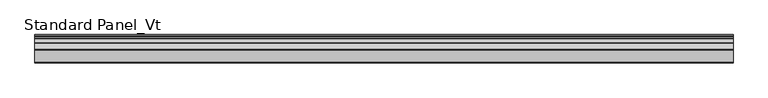
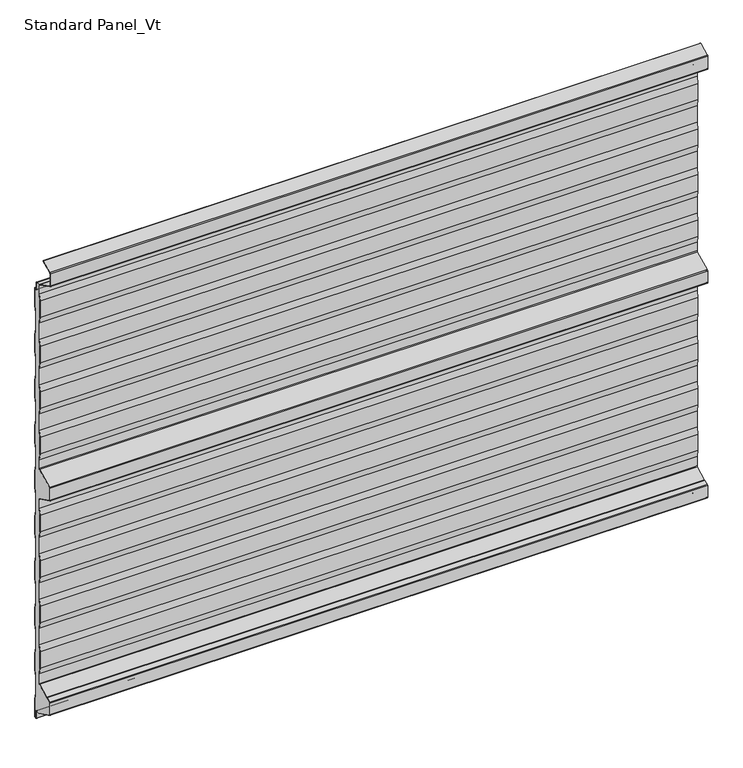
"""IFC4 building model written with IfcOpenShell, lengths in millimetres: proxy geometry, Standard Panel_Vt."""

from ifc_helpers import new_model, si_unit, point, frame, frame_2d, origin, place, context, project, spatial, polyline, circle_curve, trimmed, segment, composite_curve, outline, extrude, source, transform, mapped, element, save
from ifc_brep_helpers import plane_surface, cylinder_surface, revolved_surface, advanced_brep


def standard_panel_vt_2184bb65(model_context):
    return source(origin(), model_context, "Body", "SolidModel", [
        advanced_brep(
        [(-723.9042608, -17.5, 35.1338169), (-723.9042608, -17.5, 57.6094989), (-723.9042608, -20.0, 72.448892), (-723.9042608, -20.0, 110.5241033), (-723.9042608, -17.5, 125.3634964), (-723.9042608, -17.5, 163.6094989), (-723.9042608, -20.0, 178.448892), (-723.9042608, -20.0, 216.5241033), (-723.9042608, -17.5, 231.3634964), (-723.9042608, -17.5, 269.6094989), (-723.9042608, -20.0, 284.448892), (-723.9042608, -20.0, 322.5241033), (-723.9042608, -17.5, 337.3634964), (-723.9042608, -17.5, 375.6094989), (-723.9042608, -20.0, 390.448892), (-723.9042608, -20.0, 428.5241033), (-723.9042608, -17.5, 443.3634964), (-723.9042608, -17.5, 463.5777279), (-723.9042608, -19.215023, 466.3511443), (-723.9042608, -56.7201502, 485.0802964), (-723.9042608, -57.55, 486.4222721), (-723.9042608, -57.55, 513.5777279), (-723.9042608, -56.7201502, 514.9197036), (-723.9042608, -19.215023, 533.6488557), (-723.9042608, -17.5, 536.4222721), (-723.9042608, -17.5, 556.6365036), (-723.9042608, -20.0, 571.4758967), (-723.9042608, -20.0, 609.551108), (-723.9042608, -17.5, 624.3905011), (-723.9042608, -17.5, 662.6365036), (-723.9042608, -20.0, 677.4758967), (-723.9042608, -20.0, 715.551108), (-723.9042608, -17.5, 730.3905011), (-723.9042608, -17.5, 768.6365036), (-723.9042608, -20.0, 783.4758967), (-723.9042608, -20.0, 821.551108), (-723.9042608, -17.5, 836.3905011), (-723.9042608, -17.5, 874.6365036), (-723.9042608, -20.0, 889.4758967), (-723.9042608, -20.0, 927.551108), (-723.9042608, -17.5, 942.3905011), (-723.9042608, -17.5, 962.6040392), (-723.9042608, -17.9622719, 964.2326554), (-723.9042608, -10.2001722, 964.2), (-723.9042608, -10.2001722, 963.3616429), (-723.9042608, -8.2001714, 963.3616429), (-723.9042608, -6.9001721, 962.0616436), (-723.9042608, -6.9001721, 946.4755735), (-723.9042608, -4.1204106, 944.9655843), (-723.9042608, -1.6, 946.6009611), (-723.9042608, -1.6, 905.4928529), (-723.9042608, -4.1, 890.4928529), (-723.9042608, -4.1, 852.3604329), (-723.9042608, -1.6, 837.3604329), (-723.9042608, -1.6, 799.4928529), (-723.9042608, -4.1, 784.4928529), (-723.9042608, -4.1, 746.3604329), (-723.9042608, -1.6, 731.3604329), (-723.9042608, -1.6, 693.4928529), (-723.9042608, -4.1, 678.4928529), (-723.9042608, -4.1, 640.3604329), (-723.9042608, -1.6, 625.3604329), (-723.9042608, -1.6, 587.4928529), (-723.9042608, -4.1, 572.4928529), (-723.9042608, -4.1, 534.3604329), (-723.9042608, -1.6, 519.3604329), (-723.9042608, -1.6, 481.9928529), (-723.9042608, -4.1, 466.9928529), (-723.9042608, -4.1, 428.8604329), (-723.9042608, -1.6, 413.8604329), (-723.9042608, -1.6, 375.4928529), (-723.9042608, -4.1, 360.4928529), (-723.9042608, -4.1, 322.3604329), (-723.9042608, -1.6, 307.3604329), (-723.9042608, -1.6, 269.4928529), (-723.9042608, -4.1, 254.4928529), (-723.9042608, -4.1, 216.3604329), (-723.9042608, -1.6, 201.3604329), (-723.9042608, -1.6, 163.4928529), (-723.9042608, -4.1, 148.4928529), (-723.9042608, -4.1, 110.3604329), (-723.9042608, -1.6, 95.3604329), (-723.9042608, -1.6, 57.4928529), (-723.9042608, -4.1, 42.4928529), (-723.9042608, -4.1, 4.3604329), (-723.9042608, -1.6, -10.6395671), (-723.9042608, -1.6, -51.4917405), (-723.9042608, -4.8001723, -53.568183), (-723.9042608, -4.8001723, -37.2383568), (-723.9042608, -7.0001721, -35.0383571), (-723.9042608, -8.930172, -35.0383571), (-723.9042608, -8.930172, -35.8383571), (-723.9042608, -15.05, -35.8), (-723.9042608, -56.7201502, -14.9197036), (-723.9042608, -57.55, -13.5777279), (-723.9042608, -57.55, 13.5777279), (-723.9042608, -56.7201502, 14.9197036), (-723.9042608, -48.2301555, 19.1594013), (-723.9042608, -46.5702853, 19.3495888), (-723.9042608, -45.8045421, 19.576942), (-723.9042608, -18.7724364, 33.0761209), (723.9042608, -17.5, 35.1338169), (723.9042608, -18.7724364, 33.0761209), (723.9042608, -45.8045421, 19.576942), (723.9042608, -46.5702853, 19.3495888), (723.9042608, -48.2301555, 19.1594013), (723.9042608, -56.7201502, 14.9197036), (723.9042608, -57.55, 13.5777279), (723.9042608, -57.55, -13.5777279), (723.9042608, -56.7201502, -14.9197036), (723.9042608, -15.05, -35.7287673), (723.9042608, -8.930172, -35.8383571), (723.9042608, -8.930172, -35.0383571), (723.9042608, -7.0001721, -35.0383571), (723.9042608, -4.8001723, -37.2383568), (723.9042608, -4.8001723, -53.568183), (723.9042608, -1.6, -51.4917405), (723.9042608, -1.6, -10.6395671), (723.9042608, -4.1, 4.3604329), (723.9042608, -4.1, 42.4928529), (723.9042608, -1.6, 57.4928529), (723.9042608, -1.6, 95.3604329), (723.9042608, -4.1, 110.3604329), (723.9042608, -4.1, 148.4928529), (723.9042608, -1.6, 163.4928529), (723.9042608, -1.6, 201.3604329), (723.9042608, -4.1, 216.3604329), (723.9042608, -4.1, 254.4928529), (723.9042608, -1.6, 269.4928529), (723.9042608, -1.6, 307.3604329), (723.9042608, -4.1, 322.3604329), (723.9042608, -4.1, 360.4928529), (723.9042608, -1.6, 375.4928529), (723.9042608, -1.6, 413.8604329), (723.9042608, -4.1, 428.8604329), (723.9042608, -4.1, 466.9928529), (723.9042608, -1.6, 481.9928529), (723.9042608, -1.6, 519.3604329), (723.9042608, -4.1, 534.3604329), (723.9042608, -4.1, 572.4928529), (723.9042608, -1.6, 587.4928529), (723.9042608, -1.6, 625.3604329), (723.9042608, -4.1, 640.3604329), (723.9042608, -4.1, 678.4928529), (723.9042608, -1.6, 693.4928529), (723.9042608, -1.6, 731.3604329), (723.9042608, -4.1, 746.3604329), (723.9042608, -4.1, 784.4928529), (723.9042608, -1.6, 799.4928529), (723.9042608, -1.6, 837.3604329), (723.9042608, -4.1, 852.3604329), (723.9042608, -4.1, 890.4928529), (723.9042608, -1.6, 905.4928529), (723.9042608, -1.6, 946.6009611), (723.9042608, -4.1204106, 944.9655843), (723.9042608, -6.9001721, 946.4755735), (723.9042608, -6.9001721, 962.0616436), (723.9042608, -8.2001714, 963.3616429), (723.9042608, -10.2001722, 963.3616429), (723.9042608, -10.2001722, 964.2), (723.9042608, -17.9622719, 964.2326554), (723.9042608, -17.5, 962.6040392), (723.9042608, -17.5, 942.3905011), (723.9042608, -20.0, 927.551108), (723.9042608, -20.0, 889.4758967), (723.9042608, -17.5, 874.6365036), (723.9042608, -17.5, 836.3905011), (723.9042608, -20.0, 821.551108), (723.9042608, -20.0, 783.4758967), (723.9042608, -17.5, 768.6365036), (723.9042608, -17.5, 730.3905011), (723.9042608, -20.0, 715.551108), (723.9042608, -20.0, 677.4758967), (723.9042608, -17.5, 662.6365036), (723.9042608, -17.5, 624.3905011), (723.9042608, -20.0, 609.551108), (723.9042608, -20.0, 571.4758967), (723.9042608, -17.5, 556.6365036), (723.9042608, -17.5, 536.4222721), (723.9042608, -19.215023, 533.6488557), (723.9042608, -56.7201502, 514.9197036), (723.9042608, -57.55, 513.5777279), (723.9042608, -57.55, 486.4222721), (723.9042608, -56.7201502, 485.0802964), (723.9042608, -19.215023, 466.3511443), (723.9042608, -17.5, 463.5777279), (723.9042608, -17.5, 443.3634964), (723.9042608, -20.0, 428.5241033), (723.9042608, -20.0, 390.448892), (723.9042608, -17.5, 375.6094989), (723.9042608, -17.5, 337.3634964), (723.9042608, -20.0, 322.5241033), (723.9042608, -20.0, 284.448892), (723.9042608, -17.5, 269.6094989), (723.9042608, -17.5, 231.3634964), (723.9042608, -20.0, 216.5241033), (723.9042608, -20.0, 178.448892), (723.9042608, -17.5, 163.6094989), (723.9042608, -17.5, 125.3634964), (723.9042608, -20.0, 110.5241033), (723.9042608, -20.0, 72.448892), (723.9042608, -17.5, 57.6094989)],
        [
            (0, 1),
            (1, 2),
            (2, 3),
            (3, 4),
            (4, 5),
            (5, 6),
            (6, 7),
            (7, 8),
            (8, 9),
            (9, 10),
            (10, 11),
            (11, 12),
            (12, 13),
            (13, 14),
            (14, 15),
            (15, 16),
            (16, 17),
            (17, 18, circle_curve(frame((-723.9042608, -20.6, 463.5777279), z_axis=(1.0, 0.0, 0.0), x_axis=(0.0, 0.0, -1.0)), 3.1)),
            (18, 19),
            (19, 20, circle_curve(frame((-723.9042608, -56.05, 486.4222721), z_axis=(-1.0, 0.0, 0.0), x_axis=(0.0, 0.0, -1.0)), 1.5)),
            (20, 21),
            (21, 22, circle_curve(frame((-723.9042608, -56.05, 513.5777279), z_axis=(-1.0, 0.0, 0.0), x_axis=(0.0, 0.0, -1.0)), 1.5)),
            (22, 23),
            (23, 24, circle_curve(frame((-723.9042608, -20.6, 536.4222721), z_axis=(1.0, 0.0, 0.0), x_axis=(0.0, 0.0, -1.0)), 3.1)),
            (24, 25),
            (25, 26),
            (26, 27),
            (27, 28),
            (28, 29),
            (29, 30),
            (30, 31),
            (31, 32),
            (32, 33),
            (33, 34),
            (34, 35),
            (35, 36),
            (36, 37),
            (37, 38),
            (38, 39),
            (39, 40),
            (40, 41),
            (41, 42, circle_curve(frame((-723.9042608, -20.6, 962.6040392), z_axis=(1.0, 0.0, 0.0), x_axis=(0.0, 0.0, -1.0)), 3.1)),
            (42, 43),
            (43, 44),
            (44, 45),
            (45, 46, circle_curve(frame((-723.9042608, -8.2001714, 962.0616436), z_axis=(-1.0, 0.0, 0.0), x_axis=(0.0, 0.0, -1.0)), 1.2999993)),
            (46, 47),
            (47, 48, circle_curve(frame((-723.9042608, -5.1001721, 946.4755735), z_axis=(1.0, 0.0, 0.0), x_axis=(0.0, 0.0, -1.0)), 1.8)),
            (48, 49),
            (49, 50),
            (50, 51),
            (51, 52),
            (52, 53),
            (53, 54),
            (54, 55),
            (55, 56),
            (56, 57),
            (57, 58),
            (58, 59),
            (59, 60),
            (60, 61),
            (61, 62),
            (62, 63),
            (63, 64),
            (64, 65),
            (65, 66),
            (66, 67),
            (67, 68),
            (68, 69),
            (69, 70),
            (70, 71),
            (71, 72),
            (72, 73),
            (73, 74),
            (74, 75),
            (75, 76),
            (76, 77),
            (77, 78),
            (78, 79),
            (79, 80),
            (80, 81),
            (81, 82),
            (82, 83),
            (83, 84),
            (84, 85),
            (85, 86),
            (86, 87),
            (87, 88),
            (88, 89, circle_curve(frame((-723.9042608, -7.0001721, -37.2383568), z_axis=(1.0, 0.0, 0.0), x_axis=(0.0, 0.0, -1.0)), 2.1999997)),
            (89, 90),
            (90, 91),
            (91, 92),
            (92, 93),
            (93, 94, circle_curve(frame((-723.9042608, -56.05, -13.5777279), z_axis=(-1.0, 0.0, 0.0), x_axis=(0.0, 0.0, -1.0)), 1.5)),
            (94, 95),
            (95, 96, circle_curve(frame((-723.9042608, -56.05, 13.5777279), z_axis=(-1.0, 0.0, 0.0), x_axis=(0.0, 0.0, -1.0)), 1.5)),
            (96, 97),
            (97, 98),
            (98, 99, circle_curve(frame((-723.9042608, -46.8321057, 21.6346381), z_axis=(1.0, 0.0, 0.0), x_axis=(0.0, 0.0, -1.0)), 2.3)),
            (99, 100),
            (100, 0, circle_curve(frame((-723.9042608, -19.8, 35.1338169), z_axis=(1.0, 0.0, 0.0), x_axis=(0.0, 0.0, -1.0)), 2.3)),
            (101, 102, circle_curve(frame((723.9042608, -19.8, 35.1338169), z_axis=(-1.0, 0.0, 0.0), x_axis=(0.0, 0.0, -1.0)), 2.3)),
            (102, 103),
            (103, 104, circle_curve(frame((723.9042608, -46.8321057, 21.6346381), z_axis=(-1.0, 0.0, 0.0), x_axis=(0.0, 0.0, -1.0)), 2.3)),
            (104, 105),
            (105, 106),
            (106, 107, circle_curve(frame((723.9042608, -56.05, 13.5777279), z_axis=(1.0, 0.0, 0.0), x_axis=(0.0, 0.0, -1.0)), 1.5)),
            (107, 108),
            (108, 109, circle_curve(frame((723.9042608, -56.05, -13.5777279), z_axis=(1.0, 0.0, 0.0), x_axis=(0.0, 0.0, -1.0)), 1.5)),
            (109, 110),
            (110, 111),
            (111, 112),
            (112, 113),
            (113, 114, circle_curve(frame((723.9042608, -7.0001721, -37.2383568), z_axis=(-1.0, 0.0, 0.0), x_axis=(0.0, 0.0, -1.0)), 2.1999997)),
            (114, 115),
            (115, 116),
            (116, 117),
            (117, 118),
            (118, 119),
            (119, 120),
            (120, 121),
            (121, 122),
            (122, 123),
            (123, 124),
            (124, 125),
            (125, 126),
            (126, 127),
            (127, 128),
            (128, 129),
            (129, 130),
            (130, 131),
            (131, 132),
            (132, 133),
            (133, 134),
            (134, 135),
            (135, 136),
            (136, 137),
            (137, 138),
            (138, 139),
            (139, 140),
            (140, 141),
            (141, 142),
            (142, 143),
            (143, 144),
            (144, 145),
            (145, 146),
            (146, 147),
            (147, 148),
            (148, 149),
            (149, 150),
            (150, 151),
            (151, 152),
            (152, 153),
            (153, 154),
            (154, 155, circle_curve(frame((723.9042608, -5.1001721, 946.4755735), z_axis=(-1.0, 0.0, 0.0), x_axis=(0.0, 0.0, -1.0)), 1.8)),
            (155, 156),
            (156, 157, circle_curve(frame((723.9042608, -8.2001714, 962.0616436), z_axis=(1.0, 0.0, 0.0), x_axis=(0.0, 0.0, -1.0)), 1.2999993)),
            (157, 158),
            (158, 159),
            (159, 160),
            (160, 161, circle_curve(frame((723.9042608, -20.6, 962.6040392), z_axis=(-1.0, 0.0, 0.0), x_axis=(0.0, 0.0, -1.0)), 3.1)),
            (161, 162),
            (162, 163),
            (163, 164),
            (164, 165),
            (165, 166),
            (166, 167),
            (167, 168),
            (168, 169),
            (169, 170),
            (170, 171),
            (171, 172),
            (172, 173),
            (173, 174),
            (174, 175),
            (175, 176),
            (176, 177),
            (177, 178),
            (178, 179, circle_curve(frame((723.9042608, -20.6, 536.4222721), z_axis=(-1.0, 0.0, 0.0), x_axis=(0.0, 0.0, -1.0)), 3.1)),
            (179, 180),
            (180, 181, circle_curve(frame((723.9042608, -56.05, 513.5777279), z_axis=(1.0, 0.0, 0.0), x_axis=(0.0, 0.0, -1.0)), 1.5)),
            (181, 182),
            (182, 183, circle_curve(frame((723.9042608, -56.05, 486.4222721), z_axis=(1.0, 0.0, 0.0), x_axis=(0.0, 0.0, -1.0)), 1.5)),
            (183, 184),
            (184, 185, circle_curve(frame((723.9042608, -20.6, 463.5777279), z_axis=(-1.0, 0.0, 0.0), x_axis=(0.0, 0.0, -1.0)), 3.1)),
            (185, 186),
            (186, 187),
            (187, 188),
            (188, 189),
            (189, 190),
            (190, 191),
            (191, 192),
            (192, 193),
            (193, 194),
            (194, 195),
            (195, 196),
            (196, 197),
            (197, 198),
            (198, 199),
            (199, 200),
            (200, 201),
            (201, 101),
            (100, 102),
            (101, 0),
            (99, 103),
            (98, 104),
            (97, 105),
            (96, 106),
            (95, 107),
            (94, 108),
            (93, 109),
            (92, 110),
            (159, 43),
            (42, 160),
            (41, 161),
            (40, 162),
            (39, 163),
            (38, 164),
            (37, 165),
            (36, 166),
            (35, 167),
            (34, 168),
            (33, 169),
            (32, 170),
            (31, 171),
            (30, 172),
            (29, 173),
            (28, 174),
            (27, 175),
            (26, 176),
            (25, 177),
            (24, 178),
            (23, 179),
            (22, 180),
            (21, 181),
            (20, 182),
            (19, 183),
            (18, 184),
            (17, 185),
            (16, 186),
            (15, 187),
            (14, 188),
            (13, 189),
            (12, 190),
            (11, 191),
            (10, 192),
            (9, 193),
            (8, 194),
            (7, 195),
            (6, 196),
            (5, 197),
            (4, 198),
            (3, 199),
            (2, 200),
            (1, 201),
            (158, 44),
            (88, 114),
            (113, 89),
            (87, 115),
            (86, 116),
            (85, 117),
            (84, 118),
            (83, 119),
            (82, 120),
            (81, 121),
            (80, 122),
            (79, 123),
            (78, 124),
            (77, 125),
            (76, 126),
            (75, 127),
            (74, 128),
            (73, 129),
            (72, 130),
            (71, 131),
            (70, 132),
            (69, 133),
            (68, 134),
            (67, 135),
            (66, 136),
            (65, 137),
            (64, 138),
            (63, 139),
            (62, 140),
            (61, 141),
            (60, 142),
            (59, 143),
            (58, 144),
            (57, 145),
            (56, 146),
            (55, 147),
            (54, 148),
            (53, 149),
            (52, 150),
            (51, 151),
            (50, 152),
            (49, 153),
            (48, 154),
            (47, 155),
            (46, 156),
            (45, 157),
            (90, 112),
            (111, 91),
        ],
        [
            plane_surface(frame((-723.9042608, -20.0, 500.0), z_axis=(-1.0, 0.0, 0.0), x_axis=(0.0, 1.0, 0.0))),
            plane_surface(frame((723.9042608, -20.0, 500.0), z_axis=(1.0, 0.0, 0.0), x_axis=(0.0, 1.0, 0.0))),
            revolved_surface(polyline([(723.9042608, -19.8, 32.8338169), (-723.9042608, -19.8, 32.8338169)]), (-723.9042608, -19.8, 35.1338169), (1.0, 0.0, 0.0)),
            plane_surface(frame((-723.9042608, -18.7724364, 33.0761209), z_axis=(0.0, -0.4467667729379058, 0.89465046280581), x_axis=(1.0, 0.0, 0.0))),
            revolved_surface(polyline([(723.9042608, -46.8321057, 19.3346381), (-723.9042608, -46.8321057, 19.3346381)]), (-723.9042608, -46.8321057, 21.6346381), (1.0, 0.0, 0.0)),
            plane_surface(frame((-723.9042608, -46.5702853, 19.3495888), z_axis=(0.0, -0.11383496024224143, 0.9934996737929246), x_axis=(1.0, 0.0, 0.0))),
            plane_surface(frame((-723.9042608, -48.2301555, 19.1594013), z_axis=(0.0, -0.44676677293837763, 0.8946504628055743), x_axis=(1.0, 0.0, 0.0))),
            cylinder_surface(frame((-723.9042608, -56.05, 13.5777279), z_axis=(-1.0, 0.0, 0.0), x_axis=(0.0, 0.0, -1.0)), 1.5),
            plane_surface(frame((-723.9042608, -57.55, 13.5777279), z_axis=(0.0, -1.0, 0.0), x_axis=(1.0, 0.0, 0.0))),
            cylinder_surface(frame((-723.9042608, -56.05, -13.5777279), z_axis=(-1.0, 0.0, 0.0), x_axis=(0.0, 0.0, -1.0)), 1.5),
            plane_surface(frame((-723.9042608, -56.7201502, -14.9197036), z_axis=(0.0, -0.4467667729366023, -0.8946504628064608), x_axis=(1.0, 0.0, 0.0))),
            plane_surface(frame((-723.9042608, -15.05, 964.2326554), z_axis=(0.0, 0.0, 1.0), x_axis=(1.0, 0.0, 0.0))),
            revolved_surface(polyline([(723.9042608, -20.6, 959.5040392), (-723.9042608, -20.6, 959.5040392)]), (-723.9042608, -20.6, 962.6040392), (1.0, 0.0, 0.0)),
            plane_surface(frame((-723.9042608, -17.5, 962.6040392), z_axis=(0.0, -1.0, 0.0), x_axis=(1.0, 0.0, 0.0))),
            plane_surface(frame((-723.9042608, -17.5, 942.3905011), z_axis=(0.0, -0.9861039564577478, 0.16612942863435207), x_axis=(1.0, 0.0, 0.0))),
            plane_surface(frame((-723.9042608, -20.0, 927.551108), z_axis=(0.0, -1.0, 0.0), x_axis=(1.0, 0.0, 0.0))),
            plane_surface(frame((-723.9042608, -20.0, 889.4758967), z_axis=(0.0, -0.986103956457715, -0.16612942863454708), x_axis=(1.0, 0.0, 0.0))),
            plane_surface(frame((-723.9042608, -17.5, 874.6365036), z_axis=(0.0, -1.0, 0.0), x_axis=(1.0, 0.0, 0.0))),
            plane_surface(frame((-723.9042608, -17.5, 836.3905011), z_axis=(0.0, -0.9861039564577201, 0.1661294286345171), x_axis=(1.0, 0.0, 0.0))),
            plane_surface(frame((-723.9042608, -20.0, 821.551108), z_axis=(0.0, -1.0, 0.0), x_axis=(1.0, 0.0, 0.0))),
            plane_surface(frame((-723.9042608, -20.0, 783.4758967), z_axis=(0.0, -0.986103956457715, -0.16612942863454708), x_axis=(1.0, 0.0, 0.0))),
            plane_surface(frame((-723.9042608, -17.5, 768.6365036), z_axis=(0.0, -1.0, 0.0), x_axis=(1.0, 0.0, 0.0))),
            plane_surface(frame((-723.9042608, -17.5, 730.3905011), z_axis=(0.0, -0.9861039564577478, 0.16612942863435207), x_axis=(1.0, 0.0, 0.0))),
            plane_surface(frame((-723.9042608, -20.0, 715.551108), z_axis=(0.0, -1.0, 0.0), x_axis=(1.0, 0.0, 0.0))),
            plane_surface(frame((-723.9042608, -20.0, 677.4758967), z_axis=(0.0, -0.9861039564576832, -0.16612942863473568), x_axis=(1.0, 0.0, 0.0))),
            plane_surface(frame((-723.9042608, -17.5, 662.6365036), z_axis=(0.0, -1.0, 0.0), x_axis=(1.0, 0.0, 0.0))),
            plane_surface(frame((-723.9042608, -17.5, 624.3905011), z_axis=(0.0, -0.9861039564577201, 0.1661294286345171), x_axis=(1.0, 0.0, 0.0))),
            plane_surface(frame((-723.9042608, -20.0, 609.551108), z_axis=(0.0, -1.0, 0.0), x_axis=(1.0, 0.0, 0.0))),
            plane_surface(frame((-723.9042608, -20.0, 571.4758967), z_axis=(0.0, -0.9861039564577467, -0.16612942863435845), x_axis=(1.0, 0.0, 0.0))),
            plane_surface(frame((-723.9042608, -17.5, 556.6365036), z_axis=(0.0, -1.0, 0.0), x_axis=(1.0, 0.0, 0.0))),
            revolved_surface(polyline([(723.9042608, -20.6, 533.3222721), (-723.9042608, -20.6, 533.3222721)]), (-723.9042608, -20.6, 536.4222721), (1.0, 0.0, 0.0)),
            plane_surface(frame((-723.9042608, -19.215023, 533.6488557), z_axis=(0.0, -0.4467667729373698, 0.8946504628060775), x_axis=(1.0, 0.0, 0.0))),
            cylinder_surface(frame((-723.9042608, -56.05, 513.5777279), z_axis=(-1.0, 0.0, 0.0), x_axis=(0.0, 0.0, -1.0)), 1.5),
            plane_surface(frame((-723.9042608, -57.55, 513.5777279), z_axis=(0.0, -1.0, 0.0), x_axis=(1.0, 0.0, 0.0))),
            cylinder_surface(frame((-723.9042608, -56.05, 486.4222721), z_axis=(-1.0, 0.0, 0.0), x_axis=(0.0, 0.0, -1.0)), 1.5),
            plane_surface(frame((-723.9042608, -56.7201502, 485.0802964), z_axis=(0.0, -0.4467667729375501, -0.8946504628059875), x_axis=(1.0, 0.0, 0.0))),
            revolved_surface(polyline([(723.9042608, -20.6, 460.4777279), (-723.9042608, -20.6, 460.4777279)]), (-723.9042608, -20.6, 463.5777279), (1.0, 0.0, 0.0)),
            plane_surface(frame((-723.9042608, -17.5, 463.5777279), z_axis=(0.0, -1.0, 0.0), x_axis=(1.0, 0.0, 0.0))),
            plane_surface(frame((-723.9042608, -17.5, 443.3634964), z_axis=(0.0, -0.9861039564577047, 0.16612942863460836), x_axis=(1.0, 0.0, 0.0))),
            plane_surface(frame((-723.9042608, -20.0, 428.5241033), z_axis=(0.0, -1.0, 0.0), x_axis=(1.0, 0.0, 0.0))),
            plane_surface(frame((-723.9042608, -20.0, 390.448892), z_axis=(0.0, -0.9861039564576678, -0.16612942863482694), x_axis=(1.0, 0.0, 0.0))),
            plane_surface(frame((-723.9042608, -17.5, 375.6094989), z_axis=(0.0, -1.0, 0.0), x_axis=(1.0, 0.0, 0.0))),
            plane_surface(frame((-723.9042608, -17.5, 337.3634964), z_axis=(0.0, -0.9861039564577121, 0.16612942863456426), x_axis=(1.0, 0.0, 0.0))),
            plane_surface(frame((-723.9042608, -20.0, 322.5241033), z_axis=(0.0, -1.0, 0.0), x_axis=(1.0, 0.0, 0.0))),
            plane_surface(frame((-723.9042608, -20.0, 284.448892), z_axis=(0.0, -0.9861039564577467, -0.16612942863435845), x_axis=(1.0, 0.0, 0.0))),
            plane_surface(frame((-723.9042608, -17.5, 269.6094989), z_axis=(0.0, -1.0, 0.0), x_axis=(1.0, 0.0, 0.0))),
            plane_surface(frame((-723.9042608, -17.5, 231.3634964), z_axis=(0.0, -0.9861039564577161, 0.1661294286345407), x_axis=(1.0, 0.0, 0.0))),
            plane_surface(frame((-723.9042608, -20.0, 216.5241033), z_axis=(0.0, -1.0, 0.0), x_axis=(1.0, 0.0, 0.0))),
            plane_surface(frame((-723.9042608, -20.0, 178.448892), z_axis=(0.0, -0.986103956457715, -0.16612942863454708), x_axis=(1.0, 0.0, 0.0))),
            plane_surface(frame((-723.9042608, -17.5, 163.6094989), z_axis=(0.0, -1.0, 0.0), x_axis=(1.0, 0.0, 0.0))),
            plane_surface(frame((-723.9042608, -17.5, 125.3634964), z_axis=(0.0, -0.9861039564577161, 0.1661294286345407), x_axis=(1.0, 0.0, 0.0))),
            plane_surface(frame((-723.9042608, -20.0, 110.5241033), z_axis=(0.0, -1.0, 0.0), x_axis=(1.0, 0.0, 0.0))),
            plane_surface(frame((-723.9042608, -20.0, 72.448892), z_axis=(0.0, -0.9861039564576832, -0.16612942863473568), x_axis=(1.0, 0.0, 0.0))),
            plane_surface(frame((-723.9042608, -17.5, 57.6094989), z_axis=(0.0, -1.0, 0.0), x_axis=(1.0, 0.0, 0.0))),
            plane_surface(frame((723.9042608, -10.2001722, 964.2), z_axis=(0.0, 1.0, 0.0), x_axis=(-1.0, 0.0, 0.0))),
            revolved_surface(polyline([(723.9042608, -7.0001721, -39.4383565), (-723.9042608, -7.0001721, -39.4383565)]), (-723.9042608, -7.0001721, -37.2383568), (1.0, 0.0, 0.0)),
            plane_surface(frame((-723.9042608, -4.8001723, -37.2383568), z_axis=(0.0, -1.0, 0.0), x_axis=(1.0, 0.0, 0.0))),
            plane_surface(frame((-723.9042608, -4.8001723, -53.568183), z_axis=(0.0, 0.5443119480328179, -0.8388828900560071), x_axis=(1.0, 0.0, 0.0))),
            plane_surface(frame((-723.9042608, -1.6, -51.4917405), z_axis=(0.0, 1.0, 0.0), x_axis=(1.0, 0.0, 0.0))),
            plane_surface(frame((-723.9042608, -1.6, -10.6395671), z_axis=(0.0, 0.9863939238321534, 0.16439898730529956), x_axis=(1.0, 0.0, 0.0))),
            plane_surface(frame((-723.9042608, -4.1, 4.3604329), z_axis=(0.0, 1.0, 0.0), x_axis=(1.0, 0.0, 0.0))),
            plane_surface(frame((-723.9042608, -4.1, 42.4928529), z_axis=(0.0, 0.9863939238321456, -0.1643989873053465), x_axis=(1.0, 0.0, 0.0))),
            plane_surface(frame((-723.9042608, -1.6, 57.4928529), z_axis=(0.0, 1.0, 0.0), x_axis=(1.0, 0.0, 0.0))),
            plane_surface(frame((-723.9042608, -1.6, 95.3604329), z_axis=(0.0, 0.9863939238321452, 0.16439898730534863), x_axis=(1.0, 0.0, 0.0))),
            plane_surface(frame((-723.9042608, -4.1, 110.3604329), z_axis=(0.0, 1.0, 0.0), x_axis=(1.0, 0.0, 0.0))),
            plane_surface(frame((-723.9042608, -4.1, 148.4928529), z_axis=(0.0, 0.9863939238321413, -0.16439898730537209), x_axis=(1.0, 0.0, 0.0))),
            plane_surface(frame((-723.9042608, -1.6, 163.4928529), z_axis=(0.0, 1.0, 0.0), x_axis=(1.0, 0.0, 0.0))),
            plane_surface(frame((-723.9042608, -1.6, 201.3604329), z_axis=(0.0, 0.9863939238321713, 0.164398987305192), x_axis=(1.0, 0.0, 0.0))),
            plane_surface(frame((-723.9042608, -4.1, 216.3604329), z_axis=(0.0, 1.0, 0.0), x_axis=(1.0, 0.0, 0.0))),
            plane_surface(frame((-723.9042608, -4.1, 254.4928529), z_axis=(0.0, 0.9863939238321595, -0.16439898730526276), x_axis=(1.0, 0.0, 0.0))),
            plane_surface(frame((-723.9042608, -1.6, 269.4928529), z_axis=(0.0, 1.0, 0.0), x_axis=(1.0, 0.0, 0.0))),
            plane_surface(frame((-723.9042608, -1.6, 307.3604329), z_axis=(0.0, 0.9863939238321285, 0.16439898730544858), x_axis=(1.0, 0.0, 0.0))),
            plane_surface(frame((-723.9042608, -4.1, 322.3604329), z_axis=(0.0, 1.0, 0.0), x_axis=(1.0, 0.0, 0.0))),
            plane_surface(frame((-723.9042608, -4.1, 360.4928529), z_axis=(0.0, 0.986393923832452, -0.16439898730350827), x_axis=(1.0, 0.0, 0.0))),
            plane_surface(frame((-723.9042608, -1.6, 375.4928529), z_axis=(0.0, 1.0, 0.0), x_axis=(1.0, 0.0, 0.0))),
            plane_surface(frame((-723.9042608, -1.6, 413.8604329), z_axis=(0.0, 0.986393923832151, 0.16439898730531435), x_axis=(1.0, 0.0, 0.0))),
            plane_surface(frame((-723.9042608, -4.1, 428.8604329), z_axis=(0.0, 1.0, 0.0), x_axis=(1.0, 0.0, 0.0))),
            plane_surface(frame((-723.9042608, -4.1, 466.9928529), z_axis=(0.0, 0.9863939238329182, -0.1643989873007107), x_axis=(1.0, 0.0, 0.0))),
            plane_surface(frame((-723.9042608, -1.6, 481.9928529), z_axis=(0.0, 1.0, 0.0), x_axis=(1.0, 0.0, 0.0))),
            plane_surface(frame((-723.9042608, -1.6, 519.3604329), z_axis=(0.0, 0.986393923832576, 0.1643989873027638), x_axis=(1.0, 0.0, 0.0))),
            plane_surface(frame((-723.9042608, -4.1, 534.3604329), z_axis=(0.0, 1.0, 0.0), x_axis=(1.0, 0.0, 0.0))),
            plane_surface(frame((-723.9042608, -4.1, 572.4928529), z_axis=(0.0, 0.9863939238321462, -0.1643989873053435), x_axis=(1.0, 0.0, 0.0))),
            plane_surface(frame((-723.9042608, -1.6, 587.4928529), z_axis=(0.0, 1.0, 0.0), x_axis=(1.0, 0.0, 0.0))),
            plane_surface(frame((-723.9042608, -1.6, 625.3604329), z_axis=(0.0, 0.9863939238321415, 0.16439898730537109), x_axis=(1.0, 0.0, 0.0))),
            plane_surface(frame((-723.9042608, -4.1, 640.3604329), z_axis=(0.0, 1.0, 0.0), x_axis=(1.0, 0.0, 0.0))),
            plane_surface(frame((-723.9042608, -4.1, 678.4928529), z_axis=(0.0, 0.9863939238321462, -0.1643989873053435), x_axis=(1.0, 0.0, 0.0))),
            plane_surface(frame((-723.9042608, -1.6, 693.4928529), z_axis=(0.0, 1.0, 0.0), x_axis=(1.0, 0.0, 0.0))),
            plane_surface(frame((-723.9042608, -1.6, 731.3604329), z_axis=(0.0, 0.9863939238321723, 0.16439898730518634), x_axis=(1.0, 0.0, 0.0))),
            plane_surface(frame((-723.9042608, -4.1, 746.3604329), z_axis=(0.0, 1.0, 0.0), x_axis=(1.0, 0.0, 0.0))),
            plane_surface(frame((-723.9042608, -4.1, 784.4928529), z_axis=(0.0, 0.9863939238321462, -0.1643989873053435), x_axis=(1.0, 0.0, 0.0))),
            plane_surface(frame((-723.9042608, -1.6, 799.4928529), z_axis=(0.0, 1.0, 0.0), x_axis=(1.0, 0.0, 0.0))),
            plane_surface(frame((-723.9042608, -1.6, 837.3604329), z_axis=(0.0, 0.9863939238321415, 0.16439898730537109), x_axis=(1.0, 0.0, 0.0))),
            plane_surface(frame((-723.9042608, -4.1, 852.3604329), z_axis=(0.0, 1.0, 0.0), x_axis=(1.0, 0.0, 0.0))),
            plane_surface(frame((-723.9042608, -4.1, 890.4928529), z_axis=(0.0, 0.9863939238321769, -0.16439898730515876), x_axis=(1.0, 0.0, 0.0))),
            plane_surface(frame((-723.9042608, -1.6, 905.4928529), z_axis=(0.0, 1.0, 0.0), x_axis=(1.0, 0.0, 0.0))),
            plane_surface(frame((-723.9042608, -1.6, 946.6009611), z_axis=(0.0, -0.5443119480359504, 0.8388828900539747), x_axis=(1.0, 0.0, 0.0))),
            revolved_surface(polyline([(723.9042608, -5.1001721, 944.6755735), (-723.9042608, -5.1001721, 944.6755735)]), (-723.9042608, -5.1001721, 946.4755735), (1.0, 0.0, 0.0)),
            plane_surface(frame((-723.9042608, -6.9001721, 946.4755735), z_axis=(0.0, 1.0, 0.0), x_axis=(1.0, 0.0, 0.0))),
            cylinder_surface(frame((-723.9042608, -8.2001714, 962.0616436), z_axis=(-1.0, 0.0, 0.0), x_axis=(0.0, 0.0, -1.0)), 1.2999993),
            plane_surface(frame((-723.9042608, -8.2001714, 963.3616429), z_axis=(0.0, 0.0, 1.0), x_axis=(1.0, 0.0, 0.0))),
            plane_surface(frame((-723.9042608, -8.930172, -35.8383571), z_axis=(0.0, 1.0, 0.0), x_axis=(1.0, 0.0, 0.0))),
            plane_surface(frame((-723.9042608, -8.930172, -35.0383571), z_axis=(0.0, 0.0, -1.0), x_axis=(1.0, 0.0, 0.0))),
            plane_surface(frame((723.9042608, -10.2001722, -35.8), z_axis=(0.0, 0.0, -1.0), x_axis=(-1.0, 0.0, 0.0))),
        ],
        [
            (0, [[1, 2, 3, 4, 5, 6, 7, 8, 9, 10, 11, 12, 13, 14, 15, 16, 17, 18, 19, 20, 21, 22, 23, 24, 25, 26, 27, 28, 29, 30, 31, 32, 33, 34, 35, 36, 37, 38, 39, 40, 41, 42, 43, 44, 45, 46, 47, 48, 49, 50, 51, 52, 53, 54, 55, 56, 57, 58, 59, 60, 61, 62, 63, 64, 65, 66, 67, 68, 69, 70, 71, 72, 73, 74, 75, 76, 77, 78, 79, 80, 81, 82, 83, 84, 85, 86, 87, 88, 89, 90, 91, 92, 93, 94, 95, 96, 97, 98, 99, 100, 101]]),
            (1, [[102, 103, 104, 105, 106, 107, 108, 109, 110, 111, 112, 113, 114, 115, 116, 117, 118, 119, 120, 121, 122, 123, 124, 125, 126, 127, 128, 129, 130, 131, 132, 133, 134, 135, 136, 137, 138, 139, 140, 141, 142, 143, 144, 145, 146, 147, 148, 149, 150, 151, 152, 153, 154, 155, 156, 157, 158, 159, 160, 161, 162, 163, 164, 165, 166, 167, 168, 169, 170, 171, 172, 173, 174, 175, 176, 177, 178, 179, 180, 181, 182, 183, 184, 185, 186, 187, 188, 189, 190, 191, 192, 193, 194, 195, 196, 197, 198, 199, 200, 201, 202]]),
            (2, [[203, -102, 204, -101]]),
            (3, [[205, -103, -203, -100]]),
            (4, [[206, -104, -205, -99]]),
            (5, [[207, -105, -206, -98]]),
            (6, [[208, -106, -207, -97]]),
            (7, [[209, -107, -208, -96]]),
            (8, [[210, -108, -209, -95]]),
            (9, [[211, -109, -210, -94]]),
            (10, [[212, -110, -211, -93]]),
            (11, [[-160, 213, -43, 214]]),
            (12, [[215, -161, -214, -42]]),
            (13, [[216, -162, -215, -41]]),
            (14, [[217, -163, -216, -40]]),
            (15, [[218, -164, -217, -39]]),
            (16, [[219, -165, -218, -38]]),
            (17, [[220, -166, -219, -37]]),
            (18, [[221, -167, -220, -36]]),
            (19, [[222, -168, -221, -35]]),
            (20, [[223, -169, -222, -34]]),
            (21, [[224, -170, -223, -33]]),
            (22, [[225, -171, -224, -32]]),
            (23, [[226, -172, -225, -31]]),
            (24, [[227, -173, -226, -30]]),
            (25, [[228, -174, -227, -29]]),
            (26, [[229, -175, -228, -28]]),
            (27, [[230, -176, -229, -27]]),
            (28, [[231, -177, -230, -26]]),
            (29, [[232, -178, -231, -25]]),
            (30, [[233, -179, -232, -24]]),
            (31, [[234, -180, -233, -23]]),
            (32, [[235, -181, -234, -22]]),
            (33, [[236, -182, -235, -21]]),
            (34, [[237, -183, -236, -20]]),
            (35, [[238, -184, -237, -19]]),
            (36, [[239, -185, -238, -18]]),
            (37, [[240, -186, -239, -17]]),
            (38, [[241, -187, -240, -16]]),
            (39, [[242, -188, -241, -15]]),
            (40, [[243, -189, -242, -14]]),
            (41, [[244, -190, -243, -13]]),
            (42, [[245, -191, -244, -12]]),
            (43, [[246, -192, -245, -11]]),
            (44, [[247, -193, -246, -10]]),
            (45, [[248, -194, -247, -9]]),
            (46, [[249, -195, -248, -8]]),
            (47, [[250, -196, -249, -7]]),
            (48, [[251, -197, -250, -6]]),
            (49, [[252, -198, -251, -5]]),
            (50, [[253, -199, -252, -4]]),
            (51, [[254, -200, -253, -3]]),
            (52, [[255, -201, -254, -2]]),
            (53, [[-204, -202, -255, -1]]),
            (54, [[-159, 256, -44, -213]]),
            (55, [[257, -114, 258, -89]]),
            (56, [[259, -115, -257, -88]]),
            (57, [[260, -116, -259, -87]]),
            (58, [[261, -117, -260, -86]]),
            (59, [[262, -118, -261, -85]]),
            (60, [[263, -119, -262, -84]]),
            (61, [[264, -120, -263, -83]]),
            (62, [[265, -121, -264, -82]]),
            (63, [[266, -122, -265, -81]]),
            (64, [[267, -123, -266, -80]]),
            (65, [[268, -124, -267, -79]]),
            (66, [[269, -125, -268, -78]]),
            (67, [[270, -126, -269, -77]]),
            (68, [[271, -127, -270, -76]]),
            (69, [[272, -128, -271, -75]]),
            (70, [[273, -129, -272, -74]]),
            (71, [[274, -130, -273, -73]]),
            (72, [[275, -131, -274, -72]]),
            (73, [[276, -132, -275, -71]]),
            (74, [[277, -133, -276, -70]]),
            (75, [[278, -134, -277, -69]]),
            (76, [[279, -135, -278, -68]]),
            (77, [[280, -136, -279, -67]]),
            (78, [[281, -137, -280, -66]]),
            (79, [[282, -138, -281, -65]]),
            (80, [[283, -139, -282, -64]]),
            (81, [[284, -140, -283, -63]]),
            (82, [[285, -141, -284, -62]]),
            (83, [[286, -142, -285, -61]]),
            (84, [[287, -143, -286, -60]]),
            (85, [[288, -144, -287, -59]]),
            (86, [[289, -145, -288, -58]]),
            (87, [[290, -146, -289, -57]]),
            (88, [[291, -147, -290, -56]]),
            (89, [[292, -148, -291, -55]]),
            (90, [[293, -149, -292, -54]]),
            (91, [[294, -150, -293, -53]]),
            (92, [[295, -151, -294, -52]]),
            (93, [[296, -152, -295, -51]]),
            (94, [[297, -153, -296, -50]]),
            (95, [[298, -154, -297, -49]]),
            (96, [[299, -155, -298, -48]]),
            (97, [[300, -156, -299, -47]]),
            (98, [[301, -157, -300, -46]]),
            (99, [[-256, -158, -301, -45]]),
            (100, [[302, -112, 303, -91]]),
            (101, [[-258, -113, -302, -90]]),
            (102, [[-212, -92, -303, -111]]),
        ],
    ),
        extrude(outline(composite_curve([segment(trimmed(circle_curve(frame_2d((-19.8, 35.1338169)), 2.3), [point((-17.5, 35.1338169))], [point((-18.7724364, 33.0761209))], False, "CARTESIAN"), True, "CONTINUOUS"), segment(polyline([(-18.7724364, 33.0761209), (-45.8045421, 19.576942)]), True, "CONTINUOUS"), segment(trimmed(circle_curve(frame_2d((-46.8321057, 21.6346381)), 2.3), [point((-45.8045421, 19.576942))], [point((-46.5702853, 19.3495888))], False, "CARTESIAN"), True, "CONTINUOUS"), segment(polyline([(-46.5702853, 19.3495888), (-48.2301555, 19.1594013), (-56.7201502, 14.9197036)]), True, "CONTINUOUS"), segment(trimmed(circle_curve(frame_2d((-56.05, 13.5777279)), 1.5), [point((-56.7201502, 14.9197036))], [point((-57.55, 13.5777279))], True, "CARTESIAN"), True, "CONTINUOUS"), segment(polyline([(-57.55, 13.5777279), (-57.55, -13.5777279)]), True, "CONTINUOUS"), segment(trimmed(circle_curve(frame_2d((-56.05, -13.5777279)), 1.5), [point((-57.55, -13.5777279))], [point((-56.7201502, -14.9197036))], True, "CARTESIAN"), True, "CONTINUOUS"), segment(polyline([(-56.7201502, -14.9197036), (-32.9423736, -26.7937493), (-33.299787, -27.5094696), (-57.0775636, -15.6354239)]), True, "CONTINUOUS"), segment(trimmed(circle_curve(frame_2d((-56.05, -13.5777279)), 2.3), [point((-57.0775636, -15.6354239))], [point((-58.35, -13.5777279))], False, "CARTESIAN"), True, "CONTINUOUS"), segment(polyline([(-58.35, -13.5777279), (-58.35, 13.5777279)]), True, "CONTINUOUS"), segment(trimmed(circle_curve(frame_2d((-56.05, 13.5777279)), 2.3), [point((-58.35, 13.5777279))], [point((-57.0775636, 15.6354239))], False, "CARTESIAN"), True, "CONTINUOUS"), segment(polyline([(-57.0775636, 15.6354239), (-48.4613681, 19.9381433), (-46.3985821, 20.1744968), (-19.1298498, 33.7918413)]), True, "CONTINUOUS"), segment(trimmed(circle_curve(frame_2d((-19.8, 35.1338169)), 1.5), [point((-19.1298498, 33.7918413))], [point((-18.3, 35.1338169))], True, "CARTESIAN"), True, "CONTINUOUS"), segment(polyline([(-18.3, 35.1338169), (-18.3, 57.5425822), (-20.8, 72.3819753), (-20.8, 110.59102), (-18.3, 125.4304131), (-18.3, 163.5425822), (-20.8, 178.3819753), (-20.8, 216.59102), (-18.3, 231.4304131), (-18.3, 269.5425822), (-20.8, 284.3819753), (-20.8, 322.59102), (-18.3, 337.4304131), (-18.3, 375.5425822), (-20.8, 390.3819753), (-20.8, 428.59102), (-18.3, 443.4304131), (-18.3, 463.5777279)]), True, "CONTINUOUS"), segment(trimmed(circle_curve(frame_2d((-20.6, 463.5777279)), 2.3), [point((-18.3, 463.5777279))], [point((-19.5724364, 465.6354239))], True, "CARTESIAN"), True, "CONTINUOUS"), segment(polyline([(-19.5724364, 465.6354239), (-57.0775636, 484.3645761)]), True, "CONTINUOUS"), segment(trimmed(circle_curve(frame_2d((-56.05, 486.4222721)), 2.3), [point((-57.0775636, 484.3645761))], [point((-58.35, 486.4222721))], False, "CARTESIAN"), True, "CONTINUOUS"), segment(polyline([(-58.35, 486.4222721), (-58.35, 513.5777279)]), True, "CONTINUOUS"), segment(trimmed(circle_curve(frame_2d((-56.05, 513.5777279)), 2.3), [point((-58.35, 513.5777279))], [point((-57.0775636, 515.6354239))], False, "CARTESIAN"), True, "CONTINUOUS"), segment(polyline([(-57.0775636, 515.6354239), (-19.5724364, 534.3645761)]), True, "CONTINUOUS"), segment(trimmed(circle_curve(frame_2d((-20.6, 536.4222721)), 2.3), [point((-19.5724364, 534.3645761))], [point((-18.3, 536.4222721))], True, "CARTESIAN"), True, "CONTINUOUS"), segment(polyline([(-18.3, 536.4222721), (-18.3, 556.5695869), (-20.8, 571.40898), (-20.8, 609.6180247), (-18.3, 624.4574178), (-18.3, 662.5695869), (-20.8, 677.40898), (-20.8, 715.6180247), (-18.3, 730.4574178), (-18.3, 768.5695869), (-20.8, 783.40898), (-20.8, 821.6180247), (-18.3, 836.4574178), (-18.3, 874.5695869), (-20.8, 889.40898), (-20.8, 927.6180247), (-18.3, 942.4574178), (-18.3, 962.6040392)]), True, "CONTINUOUS"), segment(trimmed(circle_curve(frame_2d((-20.6, 962.6040392)), 2.3), [point((-18.3, 962.6040392))], [point((-19.5733338, 964.6621832))], True, "CARTESIAN"), True, "CONTINUOUS"), segment(polyline([(-19.5733338, 964.6621832), (-58.0679093, 983.8644748)]), True, "CONTINUOUS"), segment(trimmed(circle_curve(frame_2d((-57.041243, 985.9226188)), 2.3), [point((-58.0679093, 983.8644748))], [point((-59.341243, 985.9226188))], False, "CARTESIAN"), True, "CONTINUOUS"), segment(polyline([(-59.341243, 985.9226188), (-59.341243, 1014.0773812)]), True, "CONTINUOUS"), segment(trimmed(circle_curve(frame_2d((-57.041243, 1014.0773812)), 2.3), [point((-59.341243, 1014.0773812))], [point((-58.0688066, 1016.1350773))], False, "CARTESIAN"), True, "CONTINUOUS"), segment(polyline([(-58.0688066, 1016.1350773), (-33.2174495, 1028.5452431)]), True, "CONTINUOUS"), segment(trimmed(circle_curve(frame_2d((-32.8600361, 1027.8295227)), 0.8), [point((-33.2174495, 1028.5452431))], [point((-32.5026227, 1027.1138024))], False, "CARTESIAN"), True, "CONTINUOUS"), segment(polyline([(-32.5026227, 1027.1138024), (-45.2066593, 1020.7697142), (-45.5640727, 1021.4854346), (-57.7113932, 1015.4193569)]), True, "CONTINUOUS"), segment(trimmed(circle_curve(frame_2d((-57.041243, 1014.0773812)), 1.5), [point((-57.7113932, 1015.4193569))], [point((-58.541243, 1014.0773812))], True, "CARTESIAN"), True, "CONTINUOUS"), segment(polyline([(-58.541243, 1014.0773812), (-58.541243, 985.9226188)]), True, "CONTINUOUS"), segment(trimmed(circle_curve(frame_2d((-57.041243, 985.9226188)), 1.5), [point((-58.541243, 985.9226188))], [point((-57.710808, 984.580351))], True, "CARTESIAN"), True, "CONTINUOUS"), segment(polyline([(-57.710808, 984.580351), (-19.2162325, 965.3780593)]), True, "CONTINUOUS"), segment(trimmed(circle_curve(frame_2d((-20.6, 962.6040392)), 3.1), [point((-19.2162325, 965.3780593))], [point((-17.5, 962.6040392))], False, "CARTESIAN"), True, "CONTINUOUS"), segment(polyline([(-17.5, 962.6040392), (-17.5, 942.3905011), (-20.0, 927.551108), (-20.0, 889.4758967), (-17.5, 874.6365036), (-17.5, 836.3905011), (-20.0, 821.551108), (-20.0, 783.4758967), (-17.5, 768.6365036), (-17.5, 730.3905011), (-20.0, 715.551108), (-20.0, 677.4758967), (-17.5, 662.6365036), (-17.5, 624.3905011), (-20.0, 609.551108), (-20.0, 571.4758967), (-17.5, 556.6365036), (-17.5, 536.4222721)]), True, "CONTINUOUS"), segment(trimmed(circle_curve(frame_2d((-20.6, 536.4222721)), 3.1), [point((-17.5, 536.4222721))], [point((-19.215023, 533.6488557))], False, "CARTESIAN"), True, "CONTINUOUS"), segment(polyline([(-19.215023, 533.6488557), (-56.7201502, 514.9197036)]), True, "CONTINUOUS"), segment(trimmed(circle_curve(frame_2d((-56.05, 513.5777279)), 1.5), [point((-56.7201502, 514.9197036))], [point((-57.55, 513.5777279))], True, "CARTESIAN"), True, "CONTINUOUS"), segment(polyline([(-57.55, 513.5777279), (-57.55, 486.4222721)]), True, "CONTINUOUS"), segment(trimmed(circle_curve(frame_2d((-56.05, 486.4222721)), 1.5), [point((-57.55, 486.4222721))], [point((-56.7201502, 485.0802964))], True, "CARTESIAN"), True, "CONTINUOUS"), segment(polyline([(-56.7201502, 485.0802964), (-19.215023, 466.3511443)]), True, "CONTINUOUS"), segment(trimmed(circle_curve(frame_2d((-20.6, 463.5777279)), 3.1), [point((-19.215023, 466.3511443))], [point((-17.5, 463.5777279))], False, "CARTESIAN"), True, "CONTINUOUS"), segment(polyline([(-17.5, 463.5777279), (-17.5, 443.3634964), (-20.0, 428.5241033), (-20.0, 390.448892), (-17.5, 375.6094989), (-17.5, 337.3634964), (-20.0, 322.5241033), (-20.0, 284.448892), (-17.5, 269.6094989), (-17.5, 231.3634964), (-20.0, 216.5241033), (-20.0, 178.448892), (-17.5, 163.6094989), (-17.5, 125.3634964), (-20.0, 110.5241033), (-20.0, 72.448892), (-17.5, 57.6094989), (-17.5, 35.1338169)]), True, "CONTINUOUS")], self_intersect=False)), frame((-723.9042608, 0.0, 0.0), z_axis=(1.0, 0.0, 0.0), x_axis=(0.0, 1.0, 0.0)), (0.0, 0.0, 1.0), 1447.8085217),
        extrude(outline(composite_curve([segment(polyline([(-7.0001721, -35.8383571), (-8.930172, -35.8383571), (-8.930172, -35.0383571), (-7.0001721, -35.0383571)]), True, "CONTINUOUS"), segment(trimmed(circle_curve(frame_2d((-7.0001721, -37.2383568)), 2.1999997), [point((-7.0001721, -35.0383571))], [point((-4.8001723, -37.2383568))], False, "CARTESIAN"), True, "CONTINUOUS"), segment(polyline([(-4.8001723, -37.2383568), (-4.8001723, -53.568183), (-1.6, -51.4917405), (-1.6, -10.6395671), (-4.1, 4.3604329), (-4.1, 42.4928529), (-1.6, 57.4928529), (-1.6, 95.3604329), (-4.1, 110.3604329), (-4.1, 148.4928529), (-1.6, 163.4928529), (-1.6, 201.3604329), (-4.1, 216.3604329), (-4.1, 254.4928529), (-1.6, 269.4928529), (-1.6, 307.3604329), (-4.1, 322.3604329), (-4.1, 360.4928529), (-1.6, 375.4928529), (-1.6, 413.8604329), (-4.1, 428.8604329), (-4.1, 466.9928529), (-1.6, 481.9928529), (-1.6, 519.3604329), (-4.1, 534.3604329), (-4.1, 572.4928529), (-1.6, 587.4928529), (-1.6, 625.3604329), (-4.1, 640.3604329), (-4.1, 678.4928529), (-1.6, 693.4928529), (-1.6, 731.3604329), (-4.1, 746.3604329), (-4.1, 784.4928529), (-1.6, 799.4928529), (-1.6, 837.3604329), (-4.1, 852.3604329), (-4.1, 890.4928529), (-1.6, 905.4928529), (-1.6, 946.6009611), (-4.1204106, 944.9655843)]), True, "CONTINUOUS"), segment(trimmed(circle_curve(frame_2d((-5.1001721, 946.4755735)), 1.8), [point((-4.1204106, 944.9655843))], [point((-6.9001721, 946.4755735))], False, "CARTESIAN"), True, "CONTINUOUS"), segment(polyline([(-6.9001721, 946.4755735), (-6.9001721, 962.0616436)]), True, "CONTINUOUS"), segment(trimmed(circle_curve(frame_2d((-8.2001714, 962.0616436)), 1.2999993), [point((-6.9001721, 962.0616436))], [point((-8.2001714, 963.3616429))], True, "CARTESIAN"), True, "CONTINUOUS"), segment(polyline([(-8.2001714, 963.3616429), (-10.2001722, 963.3616429), (-10.2001722, 964.1616429), (-8.2001714, 964.1616429)]), True, "CONTINUOUS"), segment(trimmed(circle_curve(frame_2d((-8.2001714, 962.0616436)), 2.0999993), [point((-8.2001714, 964.1616429))], [point((-6.1001721, 962.0616436))], False, "CARTESIAN"), True, "CONTINUOUS"), segment(polyline([(-6.1001721, 962.0616436), (-6.1001721, 946.4755735)]), True, "CONTINUOUS"), segment(trimmed(circle_curve(frame_2d((-5.1001721, 946.4755735)), 1.0), [point((-6.1001721, 946.4755735))], [point((-4.5558601, 945.6366906))], True, "CARTESIAN"), True, "CONTINUOUS"), segment(polyline([(-4.5558601, 945.6366906), (-2.3443119, 947.071661)]), True, "CONTINUOUS"), segment(trimmed(circle_curve(frame_2d((-1.8, 946.2327781)), 1.0), [point((-2.3443119, 947.071661))], [point((-0.8, 946.2327781))], False, "CARTESIAN"), True, "CONTINUOUS"), segment(polyline([(-0.8, 946.2327781), (-0.8, 905.4266429), (-3.3, 890.4266429), (-3.3, 852.4266429), (-0.8, 837.4266429), (-0.8, 799.4266429), (-3.3, 784.4266429), (-3.3, 746.4266429), (-0.8, 731.4266429), (-0.8, 693.4266429), (-3.3, 678.4266429), (-3.3, 640.4266429), (-0.8, 625.4266429), (-0.8, 587.4266429), (-3.3, 572.4266429), (-3.3, 534.4266429), (-0.8, 519.4266429), (-0.8, 481.9266429), (-3.3, 466.9266429), (-3.3, 428.9266429), (-0.8, 413.9266429), (-0.8, 375.4266429), (-3.3, 360.4266429), (-3.3, 322.4266429), (-0.8, 307.4266429), (-0.8, 269.4266429), (-3.3, 254.4266429), (-3.3, 216.4266429), (-0.8, 201.4266429), (-0.8, 163.4266429), (-3.3, 148.4266429), (-3.3, 110.4266429), (-0.8, 95.4266429), (-0.8, 57.4266429), (-3.3, 42.4266429), (-3.3, 4.4266429), (-0.8, -10.5733571), (-0.8, -51.3830989)]), True, "CONTINUOUS"), segment(trimmed(circle_curve(frame_2d((-1.8, -51.3830989)), 1.0), [point((-0.8, -51.3830989))], [point((-1.2556881, -52.2219818))], False, "CARTESIAN"), True, "CONTINUOUS"), segment(polyline([(-1.2556881, -52.2219818), (-4.0558604, -54.0388829)]), True, "CONTINUOUS"), segment(trimmed(circle_curve(frame_2d((-4.6001723, -53.2)), 1.0), [point((-4.0558604, -54.0388829))], [point((-5.6001723, -53.2))], False, "CARTESIAN"), True, "CONTINUOUS"), segment(polyline([(-5.6001723, -53.2), (-5.6001723, -37.2383568)]), True, "CONTINUOUS"), segment(trimmed(circle_curve(frame_2d((-7.0001721, -37.2383568)), 1.3999997), [point((-5.6001723, -37.2383568))], [point((-7.0001721, -35.8383571))], True, "CARTESIAN"), True, "CONTINUOUS")], self_intersect=False)), frame((-723.9042608, 0.0, 0.0), z_axis=(1.0, 0.0, 0.0), x_axis=(0.0, 1.0, 0.0)), (0.0, 0.0, 1.0), 1447.8085217),
    ])


if __name__ == "__main__":
    model = new_model("IFC4")
    model_context = context("Model", 3, world=origin())
    ifc_project = project(units=[si_unit("LENGTHUNIT", "METRE", prefix="MILLI")], contexts=[model_context])
    site = spatial("IfcSite", under=ifc_project)
    building = spatial("IfcBuilding", under=site)
    placement = place(None, origin())
    standard_panel_vt_shape = standard_panel_vt_2184bb65(model_context)
    element("IfcBuildingElementProxy", 1, Name="Standard Panel_Vt", ObjectType="Standard Panel_Vt", at=placement, inside=building, context=model_context, shape_type="MappedRepresentation", body=[
        mapped(standard_panel_vt_shape, transform((0.0, 0.0, 0.0), x_axis=(1.0, 0.0, 0.0), y_axis=(0.0, 1.0, 0.0), z_axis=(0.0, 0.0, 1.0))),
    ])
    save(model, "model.ifc")
